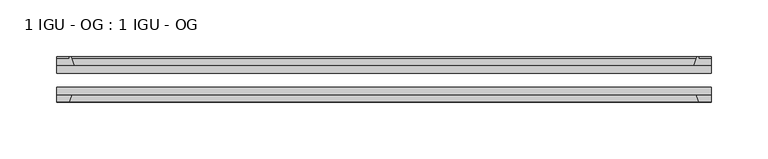
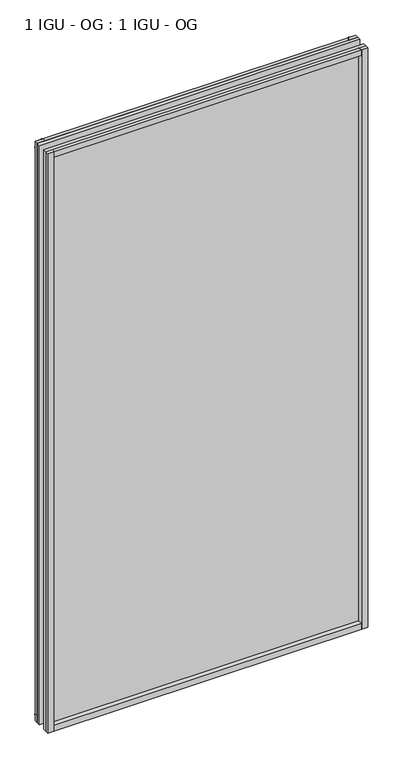
"""IFC4 building model written with IfcOpenShell, lengths in millimetres: plate geometry, 1 IGU - OG : 1 IGU - OG."""

from ifc_helpers import new_model, si_unit, point, frame, frame_2d, origin, place, context, project, spatial, polyline, circle_curve, trimmed, segment, composite_curve, outline, extrude, source, transform, mapped, element, save


def plate_1_igu_og_1_igu_og_a18ac51c(model_context):
    return source(origin(), model_context, "Body", "SweptSolid", [
        extrude(outline(polyline([(307.0099858, -31.75), (307.0099858, -38.1), (-268.9099858, -38.1), (-268.9099858, -31.75), (307.0099858, -31.75)])), frame((0.0, 0.0, -11.1125), z_axis=(0.0, 0.0, 1.0), x_axis=(1.0, 0.0, 0.0)), (0.0, 0.0, 1.0), 1101.725),
        extrude(outline(polyline([(-268.9099858, -12.7), (307.0099858, -12.7), (307.0099858, -19.05), (-268.9099858, -19.05), (-268.9099858, -12.7)])), frame((0.0, 0.0, -11.1125), z_axis=(0.0, 0.0, 1.0), x_axis=(1.0, 0.0, 0.0)), (0.0, 0.0, 1.0), 1101.725),
        extrude(outline(composite_curve([segment(polyline([(-253.5741949, -12.7), (-268.9099858, -12.7), (-268.9099858, -6.35), (-257.7974858, -6.35), (-257.7974858, -4.7751661), (-256.8680719, -4.7751661)]), True, "CONTINUOUS"), segment(trimmed(circle_curve(frame_2d((-256.8680719, -5.5371661)), 0.762), [point((-256.8680719, -4.7751661))], [point((-256.1258619, -5.364631))], False, "CARTESIAN"), True, "CONTINUOUS"), segment(trimmed(circle_curve(frame_2d((-220.4966437, 2.9177851)), 36.5792237), [point((-256.1258619, -5.364631))], [point((-253.5741949, -12.7))], True, "CARTESIAN"), True, "CONTINUOUS")], self_intersect=False)), frame((0.0, 0.0, -11.1125), z_axis=(0.0, 0.0, 1.0), x_axis=(1.0, 0.0, 0.0)), (0.0, 0.0, 1.0), 1101.725),
        extrude(outline(polyline([(-268.9099858, -38.1), (-255.6922087, -38.1), (-257.7974858, -44.45), (-268.9099858, -44.45), (-268.9099858, -38.1)])), frame((0.0, 0.0, -11.1125), z_axis=(0.0, 0.0, 1.0), x_axis=(1.0, 0.0, 0.0)), (0.0, 0.0, 1.0), 1101.725),
        extrude(outline(composite_curve([segment(trimmed(circle_curve(frame_2d((294.9680719, -5.5371661)), 0.762), [point((294.2258619, -5.364631))], [point((294.9680719, -4.7751661))], False, "CARTESIAN"), True, "CONTINUOUS"), segment(polyline([(294.9680719, -4.7751661), (295.8974858, -4.7751661), (295.8974858, -6.35), (307.0099858, -6.35), (307.0099858, -12.7), (291.6741949, -12.7)]), True, "CONTINUOUS"), segment(trimmed(circle_curve(frame_2d((258.5966437, 2.9177851)), 36.5792237), [point((291.6741949, -12.7))], [point((294.2258619, -5.364631))], True, "CARTESIAN"), True, "CONTINUOUS")], self_intersect=False)), frame((0.0, 0.0, -11.1125), z_axis=(0.0, 0.0, 1.0), x_axis=(1.0, 0.0, 0.0)), (0.0, 0.0, 1.0), 1101.725),
        extrude(outline(polyline([(293.7922087, -38.1), (307.0099858, -38.1), (307.0099858, -44.45), (295.8974858, -44.45), (293.7922087, -38.1)])), frame((0.0, 0.0, -11.1125), z_axis=(0.0, 0.0, 1.0), x_axis=(1.0, 0.0, 0.0)), (0.0, 0.0, 1.0), 1101.725),
        extrude(outline(composite_curve([segment(polyline([(-12.7, -11.1125), (-12.7, 4.2232909)]), True, "CONTINUOUS"), segment(trimmed(circle_curve(frame_2d((2.9177851, 37.3008421)), 36.5792237), [point((-12.7, 4.2232909))], [point((-5.364631, 1.6716239))], True, "CARTESIAN"), True, "CONTINUOUS"), segment(trimmed(circle_curve(frame_2d((-5.5371661, 0.929414)), 0.762), [point((-5.364631, 1.6716239))], [point((-4.7751661, 0.929414))], False, "CARTESIAN"), True, "CONTINUOUS"), segment(polyline([(-4.7751661, 0.929414), (-4.7751661, 0.0), (-6.35, 0.0), (-6.35, -11.1125), (-12.7, -11.1125)]), True, "CONTINUOUS")], self_intersect=False)), frame((-268.9099858, 0.0, 0.0), z_axis=(1.0, 0.0, 0.0), x_axis=(0.0, 1.0, 0.0)), (0.0, 0.0, 1.0), 575.9199716),
        extrude(outline(polyline([(-38.1, 2.1052771), (-38.1, -11.1125), (-44.45, -11.1125), (-44.45, 0.0), (-38.1, 2.1052771)])), frame((-268.9099858, 0.0, 0.0), z_axis=(1.0, 0.0, 0.0), x_axis=(0.0, 1.0, 0.0)), (0.0, 0.0, 1.0), 575.9199716),
        extrude(outline(composite_curve([segment(trimmed(circle_curve(frame_2d((2.9177851, 1042.1991578)), 36.5792237), [point((-5.364631, 1077.8283761))], [point((-12.7, 1075.2767091))], True, "CARTESIAN"), True, "CONTINUOUS"), segment(polyline([(-12.7, 1075.2767091), (-12.7, 1090.6125), (-6.35, 1090.6125), (-6.35, 1079.5), (-4.7751661, 1079.5), (-4.7751661, 1078.570586)]), True, "CONTINUOUS"), segment(trimmed(circle_curve(frame_2d((-5.5371661, 1078.570586)), 0.762), [point((-4.7751661, 1078.570586))], [point((-5.364631, 1077.8283761))], False, "CARTESIAN"), True, "CONTINUOUS")], self_intersect=False)), frame((-268.9099858, 0.0, 0.0), z_axis=(1.0, 0.0, 0.0), x_axis=(0.0, 1.0, 0.0)), (0.0, 0.0, 1.0), 575.9199716),
        extrude(outline(polyline([(-38.1, 1090.6125), (-38.1, 1077.3947229), (-44.45, 1079.5), (-44.45, 1090.6125), (-38.1, 1090.6125)])), frame((-268.9099858, 0.0, 0.0), z_axis=(1.0, 0.0, 0.0), x_axis=(0.0, 1.0, 0.0)), (0.0, 0.0, 1.0), 575.9199716),
    ])


if __name__ == "__main__":
    model = new_model("IFC4")
    model_context = context("Model", 3, world=origin())
    ifc_project = project(units=[si_unit("LENGTHUNIT", "METRE", prefix="MILLI")], contexts=[model_context])
    site = spatial("IfcSite", under=ifc_project)
    building = spatial("IfcBuilding", under=site)
    placement = place(None, origin())
    plate_1_igu_og_1_igu_og_shape = plate_1_igu_og_1_igu_og_a18ac51c(model_context)
    element("IfcPlate", 1, ObjectType="1 IGU - OG : 1 IGU - OG", at=placement, inside=building, context=model_context, shape_type="MappedRepresentation", body=[
        mapped(plate_1_igu_og_1_igu_og_shape, transform((0.0, 0.0, 0.0), x_axis=(1.0, 0.0, 0.0), y_axis=(0.0, 1.0, 0.0), z_axis=(0.0, 0.0, 1.0))),
    ])
    save(model, "model.ifc")
